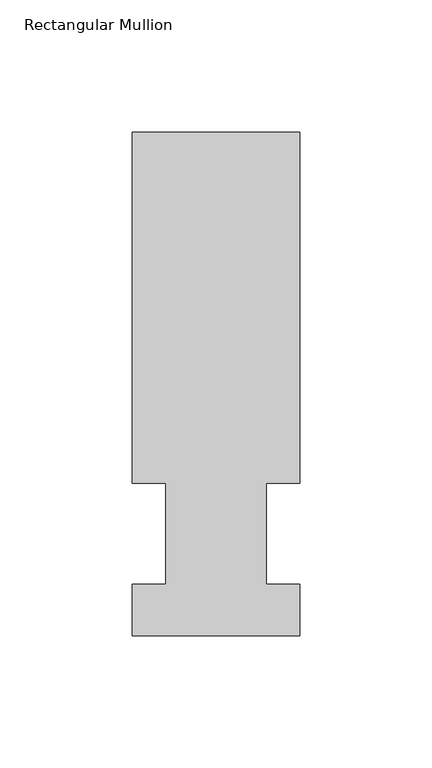
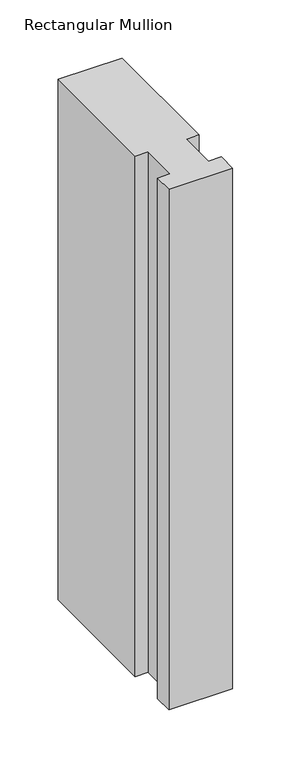
"""IFC4 building model written with IfcOpenShell, lengths in millimetres: member geometry, Rectangular Mullion."""

from ifc_helpers import new_model, si_unit, frame, origin, place, context, project, spatial, polyline, outline, extrude, source, transform, mapped, element, save


def rectangular_mullion_89bccff7(model_context):
    return source(origin(), model_context, "Body", "SweptSolid", [
        extrude(outline(polyline([(-63.5, 190.5896938), (0.0, 190.5896938), (0.0, 57.6460937), (-12.6873, 57.6460937), (-12.6873, 19.5460938), (0.0, 19.5460938), (0.0, 0.0134938), (-63.5, 0.0134938), (-63.5, 19.5460938), (-50.8, 19.5460938), (-50.8, 57.6460937), (-63.5, 57.6460937), (-63.5, 190.5896938)])), frame((0.0, 0.0, -546.0999995), z_axis=(0.0, 0.0, 1.0), x_axis=(1.0, 0.0, 0.0)), (0.0, 0.0, 1.0), 546.0999995),
    ])


if __name__ == "__main__":
    model = new_model("IFC4")
    model_context = context("Model", 3, world=origin())
    ifc_project = project(units=[si_unit("LENGTHUNIT", "METRE", prefix="MILLI")], contexts=[model_context])
    site = spatial("IfcSite", under=ifc_project)
    building = spatial("IfcBuilding", under=site)
    placement = place(None, origin())
    rectangular_mullion_shape = rectangular_mullion_89bccff7(model_context)
    element("IfcMember", 1, ObjectType="Rectangular Mullion", at=placement, inside=building, context=model_context, shape_type="MappedRepresentation", body=[
        mapped(rectangular_mullion_shape, transform((0.0, 0.0, 0.0), x_axis=(1.0, 0.0, 0.0), y_axis=(0.0, 1.0, 0.0), z_axis=(0.0, 0.0, 1.0))),
    ])
    save(model, "model.ifc")
